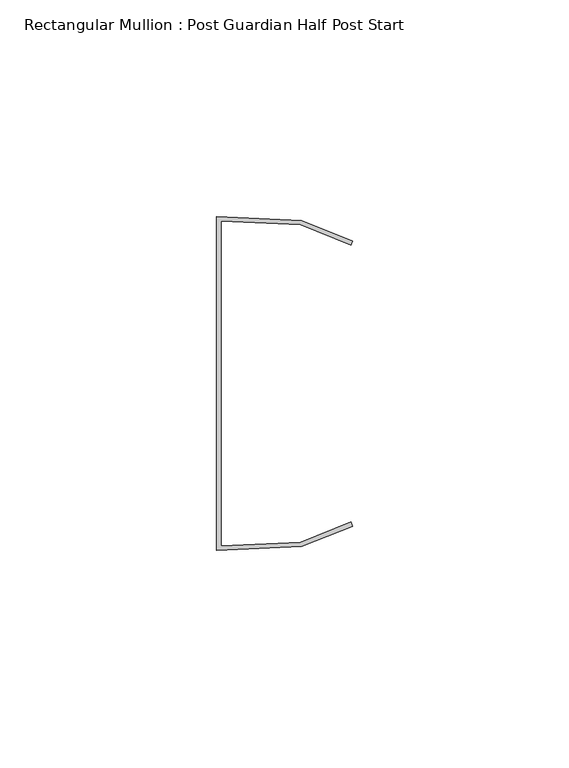
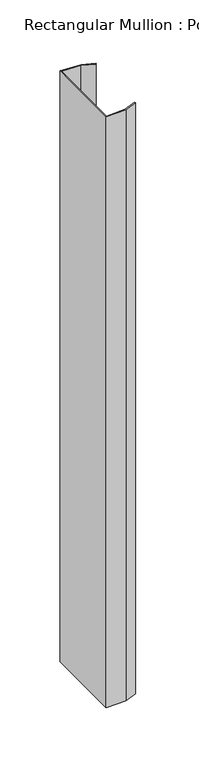
"""IFC4 building model written with IfcOpenShell, lengths in millimetres: member geometry, Rectangular Mullion : Post Guardian Half Post Start."""

from ifc_helpers import new_model, si_unit, frame, origin, place, context, project, spatial, polyline, outline, extrude, source, transform, mapped, element, save


def rectangular_mullion_post_guardian_half_post_start_774a199e(model_context):
    return source(origin(), model_context, "Body", "SweptSolid", [
        extrude(outline(polyline([(-12.0155838, 36.6491978), (-30.370288, 37.5), (-30.370288, -37.5), (-12.0155838, -36.6491978), (-0.370288, -32.007111), (0.0, -32.936028), (-11.8014051, -37.6403436), (-31.370288, -38.5474271), (-31.370288, 38.5474271), (-11.8014051, 37.6403436), (0.0, 32.936028), (-0.370288, 32.007111), (-12.0155838, 36.6491978)])), frame((0.0, 0.0, -600.0), z_axis=(0.0, 0.0, 1.0), x_axis=(1.0, 0.0, 0.0)), (0.0, 0.0, 1.0), 600.0),
    ])


if __name__ == "__main__":
    model = new_model("IFC4")
    model_context = context("Model", 3, world=origin())
    ifc_project = project(units=[si_unit("LENGTHUNIT", "METRE", prefix="MILLI")], contexts=[model_context])
    site = spatial("IfcSite", under=ifc_project)
    building = spatial("IfcBuilding", under=site)
    placement = place(None, origin())
    rectangular_mullion_post_guardian_half_post_start_shape = rectangular_mullion_post_guardian_half_post_start_774a199e(model_context)
    element("IfcMember", 1, ObjectType="Rectangular Mullion : Post Guardian Half Post Start", at=placement, inside=building, context=model_context, shape_type="MappedRepresentation", body=[
        mapped(rectangular_mullion_post_guardian_half_post_start_shape, transform((0.0, 0.0, 0.0), x_axis=(1.0, 0.0, 0.0), y_axis=(0.0, 1.0, 0.0), z_axis=(0.0, 0.0, 1.0))),
    ])
    save(model, "model.ifc")
